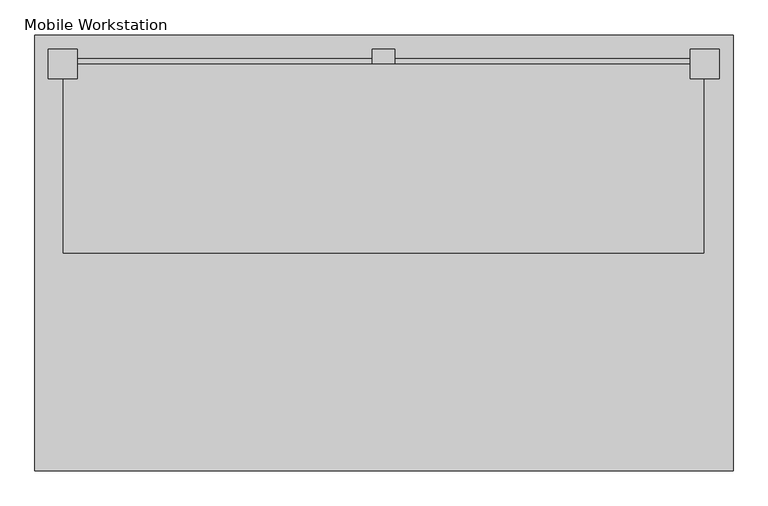
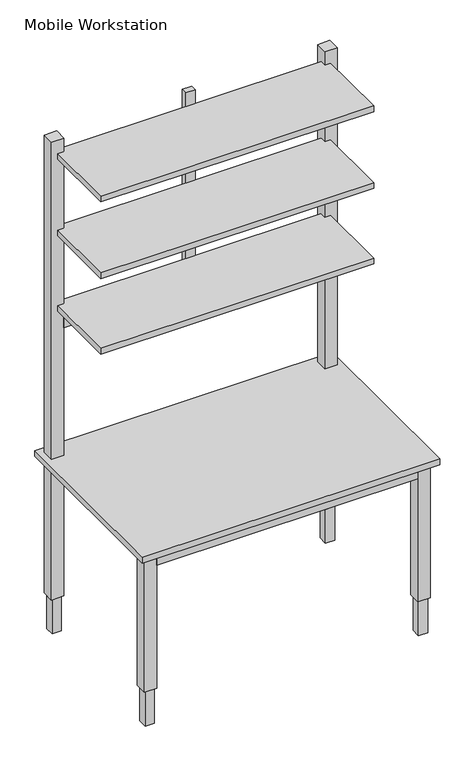
"""IFC4 building model written with IfcOpenShell, lengths in millimetres: proxy geometry, Mobile Workstation."""

from ifc_helpers import new_model, si_unit, frame, origin, origin_with_axes, place, context, project, spatial, polyline, outline, extrude, source, transform, mapped, element, save


def mobile_workstation_c4e7c944(model_context):
    return source(origin(), model_context, "Body", "SweptSolid", [
        extrude(outline(polyline([(-55.9294423, 76.2), (-1125.7951479, 76.2), (-1125.7951479, 110.6252576), (-55.9294423, 110.6252576), (-55.9294423, 76.2)])), frame((0.0, 0.0, 1315.4241219), z_axis=(0.0, 0.0, 1.0), x_axis=(1.0, 0.0, 0.0)), (0.0, 0.0, 1.0), 78.5749),
        extrude(outline(polyline([(-571.8122951, 127.0), (-571.8122951, 101.6), (-611.1623039, 101.6), (-611.1623039, 127.0), (-571.8122951, 127.0)])), frame((0.0, 0.0, 1394.017713), z_axis=(0.0, 0.0, 1.0), x_axis=(1.0, 0.0, 0.0)), (0.0, 0.0, 1.0), 742.757287),
        extrude(outline(polyline([(-32.0622951, 101.6), (-32.0622951, -228.6), (-1150.7256321, -228.6), (-1150.7256321, 101.6), (-32.0622951, 101.6)])), frame((0.0, 0.0, 2053.448002), z_axis=(0.0, 0.0, 1.0), x_axis=(1.0, 0.0, 0.0)), (0.0, 0.0, 1.0), 24.413537),
        extrude(outline(polyline([(-32.0622951, 101.6), (-32.0622951, -228.6), (-1150.7256321, -228.6), (-1150.7256321, 101.6), (-32.0622951, 101.6)])), frame((0.0, 0.0, 1394.1917348), z_axis=(0.0, 0.0, 1.0), x_axis=(1.0, 0.0, 0.0)), (0.0, 0.0, 1.0), 24.413537),
        extrude(outline(polyline([(-32.0622951, 101.6), (-32.0622951, -228.6), (-1150.7256321, -228.6), (-1150.7256321, 101.6), (-32.0622951, 101.6)])), frame((0.0, 0.0, 1721.6595391), z_axis=(0.0, 0.0, 1.0), x_axis=(1.0, 0.0, 0.0)), (0.0, 0.0, 1.0), 24.413537),
        extrude(outline(polyline([(-55.9294423, -584.2), (-1125.7951479, -584.2), (-1125.7951479, -565.15), (-55.9294423, -565.15), (-55.9294423, -584.2)])), frame((0.0, 0.0, 685.8), z_axis=(0.0, 0.0, 1.0), x_axis=(1.0, 0.0, 0.0)), (0.0, 0.0, 1.0), 50.8),
        extrude(outline(polyline([(-49.5794423, 120.65), (-11.4794423, 120.65), (-11.4794423, 82.55), (-49.5794423, 82.55), (-49.5794423, 120.65)])), origin_with_axes(), (0.0, 0.0, 1.0), 152.4),
        extrude(outline(polyline([(-55.9294423, 127.0), (-5.1294423, 127.0), (-5.1294423, 76.2), (-55.9294423, 76.2), (-55.9294423, 127.0)])), frame((0.0, 0.0, 152.4), z_axis=(0.0, 0.0, 1.0), x_axis=(1.0, 0.0, 0.0)), (0.0, 0.0, 1.0), 1984.1550488),
        extrude(outline(polyline([(-1132.1451479, 120.65), (-1132.1451479, 82.55), (-1170.2451479, 82.55), (-1170.2451479, 120.65), (-1132.1451479, 120.65)])), origin_with_axes(), (0.0, 0.0, 1.0), 152.4),
        extrude(outline(polyline([(-1125.7951479, 127.0), (-1125.7951479, 76.2), (-1176.5951479, 76.2), (-1176.5951479, 127.0), (-1125.7951479, 127.0)])), frame((0.0, 0.0, 152.4), z_axis=(0.0, 0.0, 1.0), x_axis=(1.0, 0.0, 0.0)), (0.0, 0.0, 1.0), 1984.375),
        extrude(outline(polyline([(-49.5794423, -577.85), (-49.5794423, -539.75), (-11.4794423, -539.75), (-11.4794423, -577.85), (-49.5794423, -577.85)])), origin_with_axes(), (0.0, 0.0, 1.0), 152.4),
        extrude(outline(polyline([(-55.9294423, -584.2), (-55.9294423, -533.4), (-5.1294423, -533.4), (-5.1294423, -584.2), (-55.9294423, -584.2)])), frame((0.0, 0.0, 152.4), z_axis=(0.0, 0.0, 1.0), x_axis=(1.0, 0.0, 0.0)), (0.0, 0.0, 1.0), 584.2),
        extrude(outline(polyline([(-1132.1451479, -577.85), (-1170.2451479, -577.85), (-1170.2451479, -539.75), (-1132.1451479, -539.75), (-1132.1451479, -577.85)])), origin_with_axes(), (0.0, 0.0, 1.0), 152.4),
        extrude(outline(polyline([(-1125.7951479, -584.2), (-1176.5951479, -584.2), (-1176.5951479, -533.4), (-1125.7951479, -533.4), (-1125.7951479, -584.2)])), frame((0.0, 0.0, 152.4), z_axis=(0.0, 0.0, 1.0), x_axis=(1.0, 0.0, 0.0)), (0.0, 0.0, 1.0), 584.2),
        extrude(outline(polyline([(19.1758284, -609.6), (-1200.0241716, -609.6), (-1200.0241716, 152.4), (19.1758284, 152.4), (19.1758284, -609.6)])), frame((0.0, 0.0, 736.6), z_axis=(0.0, 0.0, 1.0), x_axis=(1.0, 0.0, 0.0)), (0.0, 0.0, 1.0), 25.4),
    ])


if __name__ == "__main__":
    model = new_model("IFC4")
    model_context = context("Model", 3, world=origin())
    ifc_project = project(units=[si_unit("LENGTHUNIT", "METRE", prefix="MILLI")], contexts=[model_context])
    site = spatial("IfcSite", under=ifc_project)
    building = spatial("IfcBuilding", under=site)
    placement = place(None, origin())
    mobile_workstation_shape = mobile_workstation_c4e7c944(model_context)
    element("IfcBuildingElementProxy", 1, Name="Mobile Workstation", ObjectType="Mobile Workstation", at=placement, inside=building, context=model_context, shape_type="MappedRepresentation", body=[
        mapped(mobile_workstation_shape, transform((0.0, 0.0, 0.0), x_axis=(1.0, 0.0, 0.0), y_axis=(0.0, 1.0, 0.0), z_axis=(0.0, 0.0, 1.0))),
    ])
    save(model, "model.ifc")
